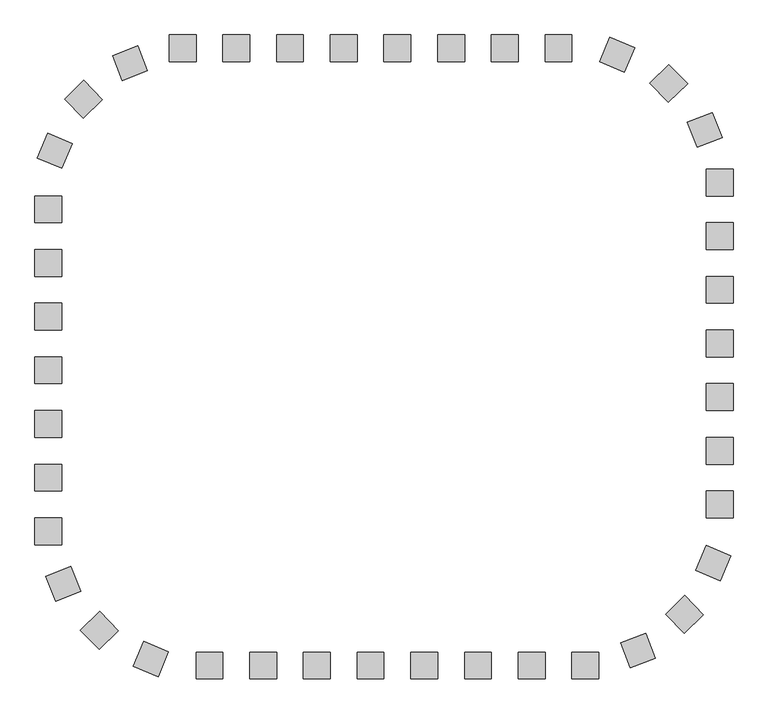
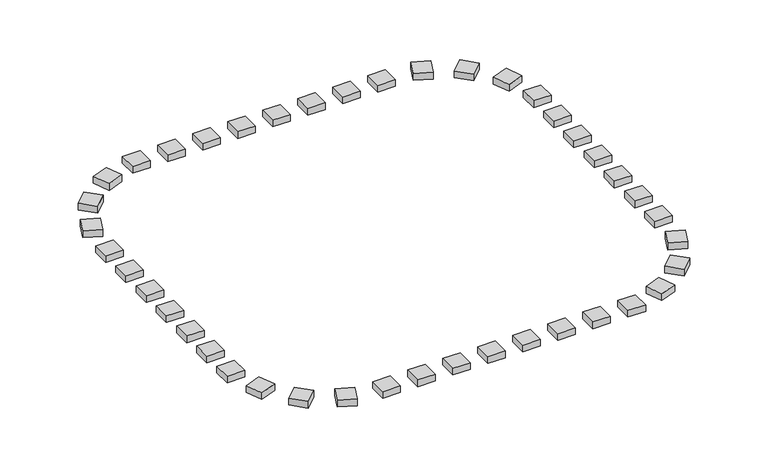
"""IFC4 building model written with IfcOpenShell, lengths in millimetres: railing geometry."""

from ifc_helpers import new_model, si_unit, origin, origin_with_axes, place, context, project, spatial, polyline, outline, extrude, source, transform, mapped, element, save


def railing_7f4f369b(model_context):
    return source(origin(), model_context, "Body", "SweptSolid", [
        extrude(outline(polyline([(-34457.9798567, -165970.9184424), (-34457.9798567, -166470.9184424), (-34957.9798567, -166470.9184424), (-34957.9798567, -165970.9184424), (-34457.9798567, -165970.9184424)])), origin_with_axes(), (0.0, 0.0, 1.0), 200.0),
        extrude(outline(polyline([(-35457.9798567, -165970.9184424), (-35457.9798567, -166470.9184424), (-35957.9798567, -166470.9184424), (-35957.9798567, -165970.9184424), (-35457.9798567, -165970.9184424)])), origin_with_axes(), (0.0, 0.0, 1.0), 200.0),
        extrude(outline(polyline([(-36457.9798567, -165970.9184424), (-36457.9798567, -166470.9184424), (-36957.9798567, -166470.9184424), (-36957.9798567, -165970.9184424), (-36457.9798567, -165970.9184424)])), origin_with_axes(), (0.0, 0.0, 1.0), 200.0),
        extrude(outline(polyline([(-37457.9798567, -165970.9184424), (-37457.9798567, -166470.9184424), (-37957.9798567, -166470.9184424), (-37957.9798567, -165970.9184424), (-37457.9798567, -165970.9184424)])), origin_with_axes(), (0.0, 0.0, 1.0), 200.0),
        extrude(outline(polyline([(-38457.9798567, -165970.9184424), (-38457.9798567, -166470.9184424), (-38957.9798567, -166470.9184424), (-38957.9798567, -165970.9184424), (-38457.9798567, -165970.9184424)])), origin_with_axes(), (0.0, 0.0, 1.0), 200.0),
        extrude(outline(polyline([(-39457.9798567, -165970.9184424), (-39457.9798567, -166470.9184424), (-39957.9798567, -166470.9184424), (-39957.9798567, -165970.9184424), (-39457.9798567, -165970.9184424)])), origin_with_axes(), (0.0, 0.0, 1.0), 200.0),
        extrude(outline(polyline([(-41545.0531201, -166174.8011845), (-41363.8742429, -166640.8207275), (-41829.8937858, -166821.9996047), (-42011.0726631, -166355.9800617), (-41545.0531201, -166174.8011845)])), origin_with_axes(), (0.0, 0.0, 1.0), 200.0),
        extrude(outline(polyline([(-42548.0999847, -166818.8501697), (-42199.74663, -167177.5282151), (-42558.4246755, -167525.8815698), (-42906.7780302, -167167.2035244), (-42548.0999847, -166818.8501697)])), origin_with_axes(), (0.0, 0.0, 1.0), 200.0),
        extrude(outline(polyline([(-43221.1628387, -167802.6634155), (-42760.6323417, -167997.3725866), (-42955.3415128, -168457.9030836), (-43415.8720098, -168263.1939125), (-43221.1628387, -167802.6634155)])), origin_with_axes(), (0.0, 0.0, 1.0), 200.0),
        extrude(outline(polyline([(-43457.9798567, -169970.9184424), (-42957.9798567, -169970.9184424), (-42957.9798567, -170470.9184424), (-43457.9798567, -170470.9184424), (-43457.9798567, -169970.9184424)])), origin_with_axes(), (0.0, 0.0, 1.0), 200.0),
        extrude(outline(polyline([(-43457.9798567, -170970.9184424), (-42957.9798567, -170970.9184424), (-42957.9798567, -171470.9184424), (-43457.9798567, -171470.9184424), (-43457.9798567, -170970.9184424)])), origin_with_axes(), (0.0, 0.0, 1.0), 200.0),
        extrude(outline(polyline([(-43457.9798567, -171970.9184424), (-42957.9798567, -171970.9184424), (-42957.9798567, -172470.9184424), (-43457.9798567, -172470.9184424), (-43457.9798567, -171970.9184424)])), origin_with_axes(), (0.0, 0.0, 1.0), 200.0),
        extrude(outline(polyline([(-43457.9798567, -172970.9184424), (-42957.9798567, -172970.9184424), (-42957.9798567, -173470.9184424), (-43457.9798567, -173470.9184424), (-43457.9798567, -172970.9184424)])), origin_with_axes(), (0.0, 0.0, 1.0), 200.0),
        extrude(outline(polyline([(-43457.9798567, -173970.9184424), (-42957.9798567, -173970.9184424), (-42957.9798567, -174470.9184424), (-43457.9798567, -174470.9184424), (-43457.9798567, -173970.9184424)])), origin_with_axes(), (0.0, 0.0, 1.0), 200.0),
        extrude(outline(polyline([(-43254.0971146, -176057.9917058), (-42788.0775716, -175876.8128286), (-42606.8986944, -176342.8323716), (-43072.9182373, -176524.0112488), (-43254.0971146, -176057.9917058)])), origin_with_axes(), (0.0, 0.0, 1.0), 200.0),
        extrude(outline(polyline([(-42610.0481294, -177061.0385704), (-42251.3700839, -176712.6852157), (-41903.0167292, -177071.3632612), (-42261.6947747, -177419.7166159), (-42610.0481294, -177061.0385704)])), origin_with_axes(), (0.0, 0.0, 1.0), 200.0),
        extrude(outline(polyline([(-41626.2348836, -177734.1014244), (-41431.5257124, -177273.5709274), (-40970.9952154, -177468.2800985), (-41165.7043866, -177928.8105955), (-41626.2348836, -177734.1014244)])), origin_with_axes(), (0.0, 0.0, 1.0), 200.0),
        extrude(outline(polyline([(-39457.9798567, -177970.9184424), (-39457.9798567, -177470.9184424), (-38957.9798567, -177470.9184424), (-38957.9798567, -177970.9184424), (-39457.9798567, -177970.9184424)])), origin_with_axes(), (0.0, 0.0, 1.0), 200.0),
        extrude(outline(polyline([(-38457.9798567, -177970.9184424), (-38457.9798567, -177470.9184424), (-37957.9798567, -177470.9184424), (-37957.9798567, -177970.9184424), (-38457.9798567, -177970.9184424)])), origin_with_axes(), (0.0, 0.0, 1.0), 200.0),
        extrude(outline(polyline([(-37457.9798567, -177970.9184424), (-37457.9798567, -177470.9184424), (-36957.9798567, -177470.9184424), (-36957.9798567, -177970.9184424), (-37457.9798567, -177970.9184424)])), origin_with_axes(), (0.0, 0.0, 1.0), 200.0),
        extrude(outline(polyline([(-36457.9798567, -177970.9184424), (-36457.9798567, -177470.9184424), (-35957.9798567, -177470.9184424), (-35957.9798567, -177970.9184424), (-36457.9798567, -177970.9184424)])), origin_with_axes(), (0.0, 0.0, 1.0), 200.0),
        extrude(outline(polyline([(-35457.9798567, -177970.9184424), (-35457.9798567, -177470.9184424), (-34957.9798567, -177470.9184424), (-34957.9798567, -177970.9184424), (-35457.9798567, -177970.9184424)])), origin_with_axes(), (0.0, 0.0, 1.0), 200.0),
        extrude(outline(polyline([(-34457.9798567, -177970.9184424), (-34457.9798567, -177470.9184424), (-33957.9798567, -177470.9184424), (-33957.9798567, -177970.9184424), (-34457.9798567, -177970.9184424)])), origin_with_axes(), (0.0, 0.0, 1.0), 200.0),
        extrude(outline(polyline([(-32370.9065932, -177767.0357003), (-32552.0854705, -177301.0161573), (-32086.0659275, -177119.8372801), (-31904.8870503, -177585.856823), (-32370.9065932, -177767.0357003)])), origin_with_axes(), (0.0, 0.0, 1.0), 200.0),
        extrude(outline(polyline([(-31367.8597286, -177122.9867151), (-31716.2130833, -176764.3086696), (-31357.5350379, -176415.955315), (-31009.1816832, -176774.6333604), (-31367.8597286, -177122.9867151)])), origin_with_axes(), (0.0, 0.0, 1.0), 200.0),
        extrude(outline(polyline([(-30694.7968747, -176139.1734693), (-31155.3273717, -175944.4642982), (-30960.6182005, -175483.9338012), (-30500.0877035, -175678.6429723), (-30694.7968747, -176139.1734693)])), origin_with_axes(), (0.0, 0.0, 1.0), 200.0),
        extrude(outline(polyline([(-30457.9798567, -173970.9184424), (-30957.9798567, -173970.9184424), (-30957.9798567, -173470.9184424), (-30457.9798567, -173470.9184424), (-30457.9798567, -173970.9184424)])), origin_with_axes(), (0.0, 0.0, 1.0), 200.0),
        extrude(outline(polyline([(-30457.9798567, -172970.9184424), (-30957.9798567, -172970.9184424), (-30957.9798567, -172470.9184424), (-30457.9798567, -172470.9184424), (-30457.9798567, -172970.9184424)])), origin_with_axes(), (0.0, 0.0, 1.0), 200.0),
        extrude(outline(polyline([(-30457.9798567, -171970.9184424), (-30957.9798567, -171970.9184424), (-30957.9798567, -171470.9184424), (-30457.9798567, -171470.9184424), (-30457.9798567, -171970.9184424)])), origin_with_axes(), (0.0, 0.0, 1.0), 200.0),
        extrude(outline(polyline([(-30457.9798567, -170970.9184424), (-30957.9798567, -170970.9184424), (-30957.9798567, -170470.9184424), (-30457.9798567, -170470.9184424), (-30457.9798567, -170970.9184424)])), origin_with_axes(), (0.0, 0.0, 1.0), 200.0),
        extrude(outline(polyline([(-30457.9798567, -169970.9184424), (-30957.9798567, -169970.9184424), (-30957.9798567, -169470.9184424), (-30457.9798567, -169470.9184424), (-30457.9798567, -169970.9184424)])), origin_with_axes(), (0.0, 0.0, 1.0), 200.0),
        extrude(outline(polyline([(-30661.8625988, -167883.845179), (-31127.8821418, -168065.0240562), (-31309.061019, -167599.0045132), (-30843.041476, -167417.825636), (-30661.8625988, -167883.845179)])), origin_with_axes(), (0.0, 0.0, 1.0), 200.0),
        extrude(outline(polyline([(-31305.911584, -166880.7983143), (-31664.5896294, -167229.151669), (-32012.9429841, -166870.4736236), (-31654.2649386, -166522.1202689), (-31305.911584, -166880.7983143)])), origin_with_axes(), (0.0, 0.0, 1.0), 200.0),
        extrude(outline(polyline([(-32289.7248297, -166207.7354604), (-32484.4340009, -166668.2659574), (-32944.9644979, -166473.5567862), (-32750.2553268, -166013.0262892), (-32289.7248297, -166207.7354604)])), origin_with_axes(), (0.0, 0.0, 1.0), 200.0),
        extrude(outline(polyline([(-33457.9798567, -165970.9184424), (-33457.9798567, -166470.9184424), (-33957.9798567, -166470.9184424), (-33957.9798567, -165970.9184424), (-33457.9798567, -165970.9184424)])), origin_with_axes(), (0.0, 0.0, 1.0), 200.0),
        extrude(outline(polyline([(-40457.9798567, -165970.9184424), (-40457.9798567, -166470.9184424), (-40957.9798567, -166470.9184424), (-40957.9798567, -165970.9184424), (-40457.9798567, -165970.9184424)])), origin_with_axes(), (0.0, 0.0, 1.0), 200.0),
        extrude(outline(polyline([(-43457.9798567, -168970.9184424), (-42957.9798567, -168970.9184424), (-42957.9798567, -169470.9184424), (-43457.9798567, -169470.9184424), (-43457.9798567, -168970.9184424)])), origin_with_axes(), (0.0, 0.0, 1.0), 200.0),
        extrude(outline(polyline([(-43457.9798567, -174970.9184424), (-42957.9798567, -174970.9184424), (-42957.9798567, -175470.9184424), (-43457.9798567, -175470.9184424), (-43457.9798567, -174970.9184424)])), origin_with_axes(), (0.0, 0.0, 1.0), 200.0),
        extrude(outline(polyline([(-40457.9798567, -177970.9184424), (-40457.9798567, -177470.9184424), (-39957.9798567, -177470.9184424), (-39957.9798567, -177970.9184424), (-40457.9798567, -177970.9184424)])), origin_with_axes(), (0.0, 0.0, 1.0), 200.0),
        extrude(outline(polyline([(-33457.9798567, -177970.9184424), (-33457.9798567, -177470.9184424), (-32957.9798567, -177470.9184424), (-32957.9798567, -177970.9184424), (-33457.9798567, -177970.9184424)])), origin_with_axes(), (0.0, 0.0, 1.0), 200.0),
        extrude(outline(polyline([(-30457.9798567, -174970.9184424), (-30957.9798567, -174970.9184424), (-30957.9798567, -174470.9184424), (-30457.9798567, -174470.9184424), (-30457.9798567, -174970.9184424)])), origin_with_axes(), (0.0, 0.0, 1.0), 200.0),
        extrude(outline(polyline([(-30457.9798567, -168970.9184424), (-30957.9798567, -168970.9184424), (-30957.9798567, -168470.9184424), (-30457.9798567, -168470.9184424), (-30457.9798567, -168970.9184424)])), origin_with_axes(), (0.0, 0.0, 1.0), 200.0),
    ])


if __name__ == "__main__":
    model = new_model("IFC4")
    model_context = context("Model", 3, world=origin())
    ifc_project = project(units=[si_unit("LENGTHUNIT", "METRE", prefix="MILLI")], contexts=[model_context])
    site = spatial("IfcSite", under=ifc_project)
    building = spatial("IfcBuilding", under=site)
    placement = place(None, origin())
    railing_shape = railing_7f4f369b(model_context)
    element("IfcRailing", 1, at=placement, inside=building, context=model_context, shape_type="MappedRepresentation", body=[
        mapped(railing_shape, transform((0.0, 0.0, 0.0), x_axis=(1.0, 0.0, 0.0), y_axis=(0.0, 1.0, 0.0), z_axis=(0.0, 0.0, 1.0))),
    ])
    save(model, "model.ifc")
